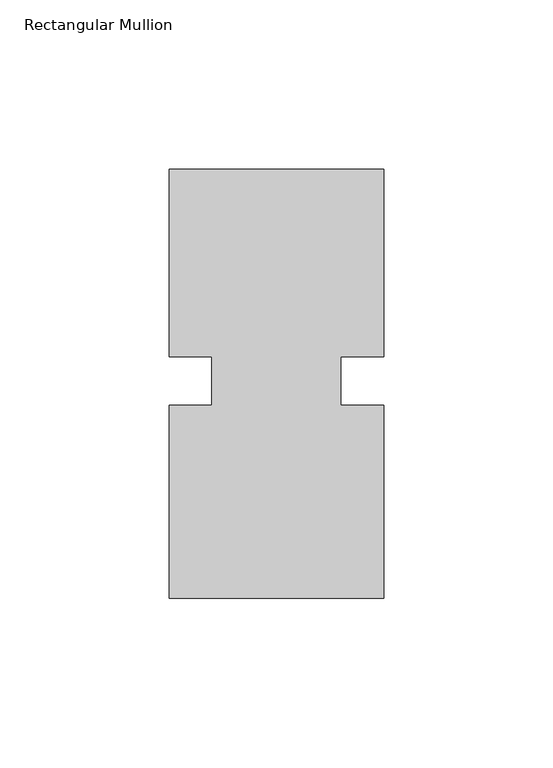
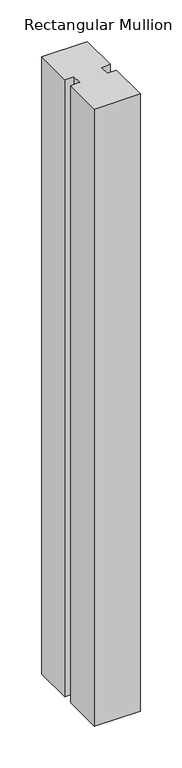
"""IFC4 building model written with IfcOpenShell, lengths in millimetres: member geometry, Rectangular Mullion."""

from ifc_helpers import new_model, si_unit, frame, origin, place, context, project, spatial, polyline, outline, extrude, source, transform, mapped, element, save


def rectangular_mullion_d6f1e755(model_context):
    return source(origin(), model_context, "Body", "SweptSolid", [
        extrude(outline(polyline([(36.0844027, 62.70625), (36.0844027, 7.14375), (23.3826322, 7.14375), (23.3826322, -7.14375), (36.0844027, -7.14375), (36.0844027, -64.29375), (-27.4155973, -64.29375), (-27.4155973, -7.14375), (-14.7155973, -7.14375), (-14.7155973, 7.14375), (-27.4155973, 7.14375), (-27.4155973, 62.70625), (36.0844027, 62.70625)])), frame((0.0, 0.0, -906.8905973), z_axis=(0.0, 0.0, 1.0), x_axis=(1.0, 0.0, 0.0)), (0.0, 0.0, 1.0), 906.8905973),
    ])


if __name__ == "__main__":
    model = new_model("IFC4")
    model_context = context("Model", 3, world=origin())
    ifc_project = project(units=[si_unit("LENGTHUNIT", "METRE", prefix="MILLI")], contexts=[model_context])
    site = spatial("IfcSite", under=ifc_project)
    building = spatial("IfcBuilding", under=site)
    placement = place(None, origin())
    rectangular_mullion_shape = rectangular_mullion_d6f1e755(model_context)
    element("IfcMember", 1, ObjectType="Rectangular Mullion", at=placement, inside=building, context=model_context, shape_type="MappedRepresentation", body=[
        mapped(rectangular_mullion_shape, transform((0.0, 0.0, 0.0), x_axis=(1.0, 0.0, 0.0), y_axis=(0.0, 1.0, 0.0), z_axis=(0.0, 0.0, 1.0))),
    ])
    save(model, "model.ifc")
